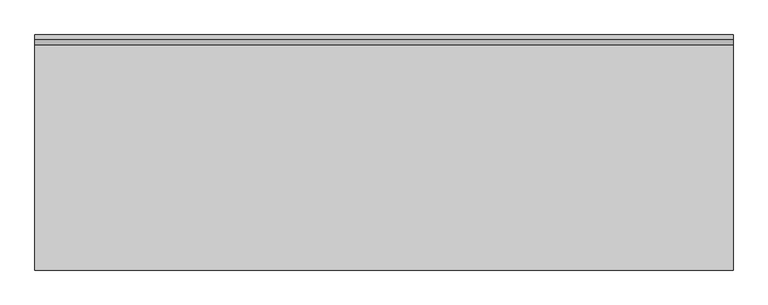
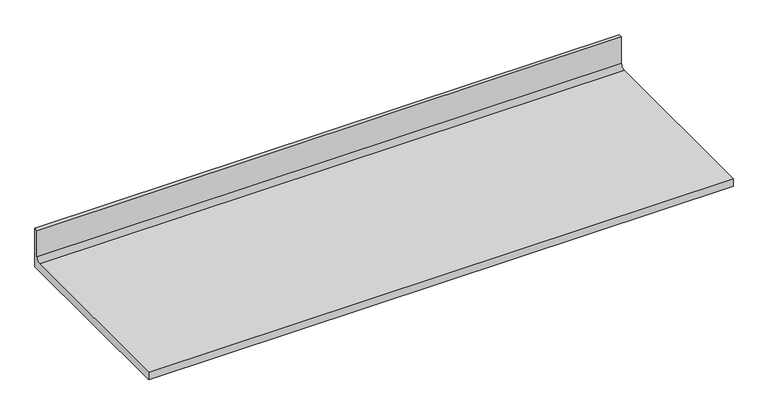
"""IFC4 building model written with IfcOpenShell, lengths in millimetres: furniture geometry."""

from ifc_helpers import new_model, si_unit, point, frame, frame_2d, origin, place, context, project, spatial, polyline, circle_curve, trimmed, segment, composite_curve, outline, extrude, source, transform, mapped, element, save


def furniture_8c1e0e29(model_context):
    return source(origin(), model_context, "Body", "SweptSolid", [
        extrude(outline(composite_curve([segment(polyline([(0.0, 889.0), (-615.95, 889.0), (-615.95, 914.4), (-25.8191, 914.4)]), True, "CONTINUOUS"), segment(trimmed(circle_curve(frame_2d((-25.8191, 929.1066)), 14.7066), [point((-25.8191, 914.4))], [point((-11.1125, 929.1066))], True, "CARTESIAN"), True, "CONTINUOUS"), segment(polyline([(-11.1125, 929.1066), (-11.1125, 1016.0), (0.0, 1016.0), (0.0, 889.0)]), True, "CONTINUOUS")], self_intersect=False)), frame((0.0, 0.0, 0.0), z_axis=(1.0, 0.0, 0.0), x_axis=(0.0, 1.0, 0.0)), (0.0, 0.0, 1.0), 1828.8),
    ])


if __name__ == "__main__":
    model = new_model("IFC4")
    model_context = context("Model", 3, world=origin())
    ifc_project = project(units=[si_unit("LENGTHUNIT", "METRE", prefix="MILLI")], contexts=[model_context])
    site = spatial("IfcSite", under=ifc_project)
    building = spatial("IfcBuilding", under=site)
    placement = place(None, origin())
    furniture_shape = furniture_8c1e0e29(model_context)
    element("IfcFurniture", 1, at=placement, inside=building, context=model_context, shape_type="MappedRepresentation", body=[
        mapped(furniture_shape, transform((0.0, 0.0, 0.0), x_axis=(1.0, 0.0, 0.0), y_axis=(0.0, 1.0, 0.0), z_axis=(0.0, 0.0, 1.0))),
    ])
    save(model, "model.ifc")
